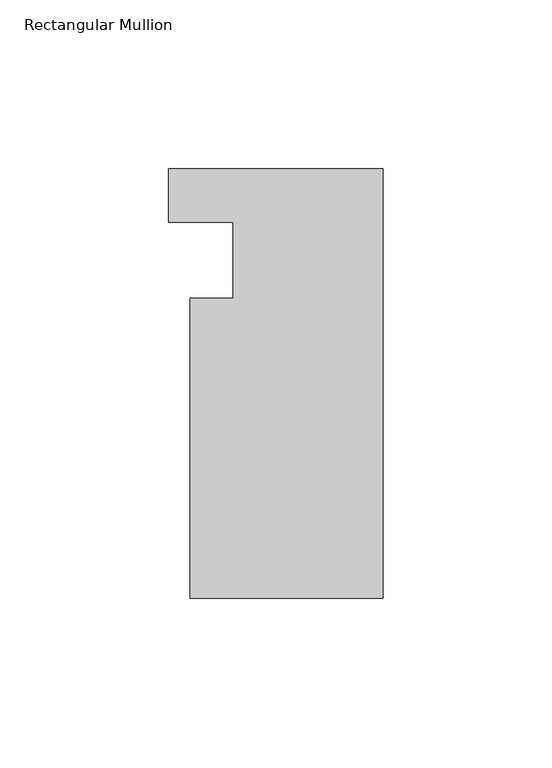
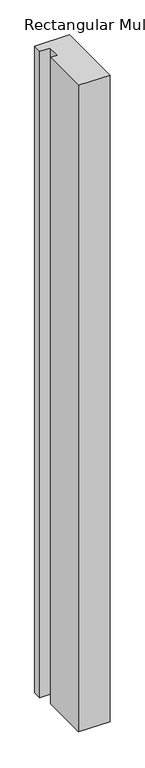
"""IFC4 building model written with IfcOpenShell, lengths in millimetres: member geometry, Rectangular Mullion."""

from ifc_helpers import new_model, si_unit, frame, origin, place, context, project, spatial, polyline, outline, extrude, source, transform, mapped, element, save


def rectangular_mullion_a4e532bd(model_context):
    return source(origin(), model_context, "Body", "SweptSolid", [
        extrude(outline(polyline([(-57.15, -37.9870311), (-44.45, -37.9870311), (-44.45, -15.5344812), (-63.5, -15.5344812), (-63.5, 0.3151188), (0.0, 0.3151187), (0.0, -126.9134813), (-57.15, -126.9134813), (-57.15, -37.9870311)])), frame((0.0, 0.0, -1242.1071763), z_axis=(0.0, 0.0, 1.0), x_axis=(1.0, 0.0, 0.0)), (0.0, 0.0, 1.0), 1242.1071763),
    ])


if __name__ == "__main__":
    model = new_model("IFC4")
    model_context = context("Model", 3, world=origin())
    ifc_project = project(units=[si_unit("LENGTHUNIT", "METRE", prefix="MILLI")], contexts=[model_context])
    site = spatial("IfcSite", under=ifc_project)
    building = spatial("IfcBuilding", under=site)
    placement = place(None, origin())
    rectangular_mullion_shape = rectangular_mullion_a4e532bd(model_context)
    element("IfcMember", 1, ObjectType="Rectangular Mullion", at=placement, inside=building, context=model_context, shape_type="MappedRepresentation", body=[
        mapped(rectangular_mullion_shape, transform((0.0, 0.0, 0.0), x_axis=(1.0, 0.0, 0.0), y_axis=(0.0, 1.0, 0.0), z_axis=(0.0, 0.0, 1.0))),
    ])
    save(model, "model.ifc")
